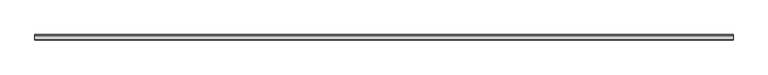
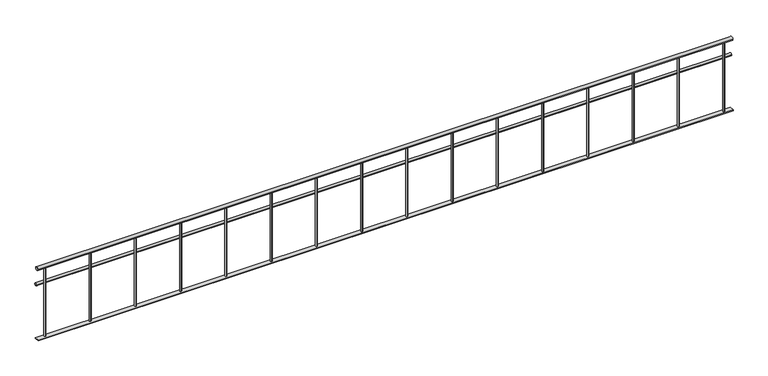
"""IFC4 building model written with IfcOpenShell, lengths in millimetres: railing geometry."""

from ifc_helpers import new_model, si_unit, point, frame, frame_2d, origin, place, context, project, spatial, polyline, circle_curve, trimmed, segment, composite_curve, outline, extrude, source, transform, mapped, element, save


def railing_1f1ef8b8(model_context):
    return source(origin(), model_context, "Body", "SweptSolid", [
        extrude(outline(composite_curve([segment(trimmed(circle_curve(frame_2d((-8556.8920513, 4780.0)), 20.0), [point((-8576.8920513, 4780.0))], [point((-8536.8920513, 4780.0))], False, "CARTESIAN"), True, "CONTINUOUS"), segment(trimmed(circle_curve(frame_2d((-8556.8920513, 4780.0)), 20.0), [point((-8536.8920513, 4780.0))], [point((-8576.8920513, 4780.0))], False, "CARTESIAN"), True, "CONTINUOUS")], self_intersect=False)), frame((-28049.9887159, 0.0, 0.0), z_axis=(1.0, 0.0, 0.0), x_axis=(0.0, 1.0, 0.0)), (0.0, 0.0, 1.0), 7679.6),
        extrude(outline(composite_curve([segment(trimmed(circle_curve(frame_2d((-8536.8920513, 4585.0)), 15.0), [point((-8551.8920513, 4585.0))], [point((-8521.8920513, 4585.0))], False, "CARTESIAN"), True, "CONTINUOUS"), segment(trimmed(circle_curve(frame_2d((-8536.8920513, 4585.0)), 15.0), [point((-8521.8920513, 4585.0))], [point((-8551.8920513, 4585.0))], False, "CARTESIAN"), True, "CONTINUOUS")], self_intersect=False)), frame((-28049.9887159, 0.0, 0.0), z_axis=(1.0, 0.0, 0.0), x_axis=(0.0, 1.0, 0.0)), (0.0, 0.0, 1.0), 7679.6),
        extrude(outline(polyline([(-20370.3887159, -8531.8920513), (-20370.3887159, -8581.8920513), (-28049.9887159, -8581.8920513), (-28049.9887159, -8531.8920513), (-20370.3887159, -8531.8920513)])), frame((0.0, 0.0, 3950.0), z_axis=(0.0, 0.0, 1.0), x_axis=(1.0, 0.0, 0.0)), (0.0, 0.0, 1.0), 10.0),
        extrude(outline(composite_curve([segment(trimmed(circle_curve(frame_2d((-27960.1887159, -8556.8920513)), 10.0), [point((-27960.1887159, -8566.8920513))], [point((-27960.1887159, -8546.8920513))], False, "CARTESIAN"), True, "CONTINUOUS"), segment(trimmed(circle_curve(frame_2d((-27960.1887159, -8556.8920513)), 10.0), [point((-27960.1887159, -8546.8920513))], [point((-27960.1887159, -8566.8920513))], False, "CARTESIAN"), True, "CONTINUOUS")], self_intersect=False)), frame((0.0, 0.0, 3960.0), z_axis=(0.0, 0.0, 1.0), x_axis=(1.0, 0.0, 0.0)), (0.0, 0.0, 1.0), 800.0),
        extrude(outline(composite_curve([segment(trimmed(circle_curve(frame_2d((-27460.1887159, -8556.8920513)), 10.0), [point((-27460.1887159, -8566.8920513))], [point((-27460.1887159, -8546.8920513))], False, "CARTESIAN"), True, "CONTINUOUS"), segment(trimmed(circle_curve(frame_2d((-27460.1887159, -8556.8920513)), 10.0), [point((-27460.1887159, -8546.8920513))], [point((-27460.1887159, -8566.8920513))], False, "CARTESIAN"), True, "CONTINUOUS")], self_intersect=False)), frame((0.0, 0.0, 3960.0), z_axis=(0.0, 0.0, 1.0), x_axis=(1.0, 0.0, 0.0)), (0.0, 0.0, 1.0), 800.0),
        extrude(outline(composite_curve([segment(trimmed(circle_curve(frame_2d((-26960.1887159, -8556.8920513)), 10.0), [point((-26960.1887159, -8566.8920513))], [point((-26960.1887159, -8546.8920513))], False, "CARTESIAN"), True, "CONTINUOUS"), segment(trimmed(circle_curve(frame_2d((-26960.1887159, -8556.8920513)), 10.0), [point((-26960.1887159, -8546.8920513))], [point((-26960.1887159, -8566.8920513))], False, "CARTESIAN"), True, "CONTINUOUS")], self_intersect=False)), frame((0.0, 0.0, 3960.0), z_axis=(0.0, 0.0, 1.0), x_axis=(1.0, 0.0, 0.0)), (0.0, 0.0, 1.0), 800.0),
        extrude(outline(composite_curve([segment(trimmed(circle_curve(frame_2d((-26460.1887159, -8556.8920513)), 10.0), [point((-26460.1887159, -8566.8920513))], [point((-26460.1887159, -8546.8920513))], False, "CARTESIAN"), True, "CONTINUOUS"), segment(trimmed(circle_curve(frame_2d((-26460.1887159, -8556.8920513)), 10.0), [point((-26460.1887159, -8546.8920513))], [point((-26460.1887159, -8566.8920513))], False, "CARTESIAN"), True, "CONTINUOUS")], self_intersect=False)), frame((0.0, 0.0, 3960.0), z_axis=(0.0, 0.0, 1.0), x_axis=(1.0, 0.0, 0.0)), (0.0, 0.0, 1.0), 800.0),
        extrude(outline(composite_curve([segment(trimmed(circle_curve(frame_2d((-25960.1887159, -8556.8920513)), 10.0), [point((-25960.1887159, -8566.8920513))], [point((-25960.1887159, -8546.8920513))], False, "CARTESIAN"), True, "CONTINUOUS"), segment(trimmed(circle_curve(frame_2d((-25960.1887159, -8556.8920513)), 10.0), [point((-25960.1887159, -8546.8920513))], [point((-25960.1887159, -8566.8920513))], False, "CARTESIAN"), True, "CONTINUOUS")], self_intersect=False)), frame((0.0, 0.0, 3960.0), z_axis=(0.0, 0.0, 1.0), x_axis=(1.0, 0.0, 0.0)), (0.0, 0.0, 1.0), 800.0),
        extrude(outline(composite_curve([segment(trimmed(circle_curve(frame_2d((-25460.1887159, -8556.8920513)), 10.0), [point((-25460.1887159, -8566.8920513))], [point((-25460.1887159, -8546.8920513))], False, "CARTESIAN"), True, "CONTINUOUS"), segment(trimmed(circle_curve(frame_2d((-25460.1887159, -8556.8920513)), 10.0), [point((-25460.1887159, -8546.8920513))], [point((-25460.1887159, -8566.8920513))], False, "CARTESIAN"), True, "CONTINUOUS")], self_intersect=False)), frame((0.0, 0.0, 3960.0), z_axis=(0.0, 0.0, 1.0), x_axis=(1.0, 0.0, 0.0)), (0.0, 0.0, 1.0), 800.0),
        extrude(outline(composite_curve([segment(trimmed(circle_curve(frame_2d((-24960.1887159, -8556.8920513)), 10.0), [point((-24960.1887159, -8566.8920513))], [point((-24960.1887159, -8546.8920513))], False, "CARTESIAN"), True, "CONTINUOUS"), segment(trimmed(circle_curve(frame_2d((-24960.1887159, -8556.8920513)), 10.0), [point((-24960.1887159, -8546.8920513))], [point((-24960.1887159, -8566.8920513))], False, "CARTESIAN"), True, "CONTINUOUS")], self_intersect=False)), frame((0.0, 0.0, 3960.0), z_axis=(0.0, 0.0, 1.0), x_axis=(1.0, 0.0, 0.0)), (0.0, 0.0, 1.0), 800.0),
        extrude(outline(composite_curve([segment(trimmed(circle_curve(frame_2d((-24460.1887159, -8556.8920513)), 10.0), [point((-24460.1887159, -8566.8920513))], [point((-24460.1887159, -8546.8920513))], False, "CARTESIAN"), True, "CONTINUOUS"), segment(trimmed(circle_curve(frame_2d((-24460.1887159, -8556.8920513)), 10.0), [point((-24460.1887159, -8546.8920513))], [point((-24460.1887159, -8566.8920513))], False, "CARTESIAN"), True, "CONTINUOUS")], self_intersect=False)), frame((0.0, 0.0, 3960.0), z_axis=(0.0, 0.0, 1.0), x_axis=(1.0, 0.0, 0.0)), (0.0, 0.0, 1.0), 800.0),
        extrude(outline(composite_curve([segment(trimmed(circle_curve(frame_2d((-23960.1887159, -8556.8920513)), 10.0), [point((-23960.1887159, -8566.8920513))], [point((-23960.1887159, -8546.8920513))], False, "CARTESIAN"), True, "CONTINUOUS"), segment(trimmed(circle_curve(frame_2d((-23960.1887159, -8556.8920513)), 10.0), [point((-23960.1887159, -8546.8920513))], [point((-23960.1887159, -8566.8920513))], False, "CARTESIAN"), True, "CONTINUOUS")], self_intersect=False)), frame((0.0, 0.0, 3960.0), z_axis=(0.0, 0.0, 1.0), x_axis=(1.0, 0.0, 0.0)), (0.0, 0.0, 1.0), 800.0),
        extrude(outline(composite_curve([segment(trimmed(circle_curve(frame_2d((-23460.1887159, -8556.8920513)), 10.0), [point((-23460.1887159, -8566.8920513))], [point((-23460.1887159, -8546.8920513))], False, "CARTESIAN"), True, "CONTINUOUS"), segment(trimmed(circle_curve(frame_2d((-23460.1887159, -8556.8920513)), 10.0), [point((-23460.1887159, -8546.8920513))], [point((-23460.1887159, -8566.8920513))], False, "CARTESIAN"), True, "CONTINUOUS")], self_intersect=False)), frame((0.0, 0.0, 3960.0), z_axis=(0.0, 0.0, 1.0), x_axis=(1.0, 0.0, 0.0)), (0.0, 0.0, 1.0), 800.0),
        extrude(outline(composite_curve([segment(trimmed(circle_curve(frame_2d((-22960.1887159, -8556.8920513)), 10.0), [point((-22960.1887159, -8566.8920513))], [point((-22960.1887159, -8546.8920513))], False, "CARTESIAN"), True, "CONTINUOUS"), segment(trimmed(circle_curve(frame_2d((-22960.1887159, -8556.8920513)), 10.0), [point((-22960.1887159, -8546.8920513))], [point((-22960.1887159, -8566.8920513))], False, "CARTESIAN"), True, "CONTINUOUS")], self_intersect=False)), frame((0.0, 0.0, 3960.0), z_axis=(0.0, 0.0, 1.0), x_axis=(1.0, 0.0, 0.0)), (0.0, 0.0, 1.0), 800.0),
        extrude(outline(composite_curve([segment(trimmed(circle_curve(frame_2d((-22460.1887159, -8556.8920513)), 10.0), [point((-22460.1887159, -8566.8920513))], [point((-22460.1887159, -8546.8920513))], False, "CARTESIAN"), True, "CONTINUOUS"), segment(trimmed(circle_curve(frame_2d((-22460.1887159, -8556.8920513)), 10.0), [point((-22460.1887159, -8546.8920513))], [point((-22460.1887159, -8566.8920513))], False, "CARTESIAN"), True, "CONTINUOUS")], self_intersect=False)), frame((0.0, 0.0, 3960.0), z_axis=(0.0, 0.0, 1.0), x_axis=(1.0, 0.0, 0.0)), (0.0, 0.0, 1.0), 800.0),
        extrude(outline(composite_curve([segment(trimmed(circle_curve(frame_2d((-21960.1887159, -8556.8920513)), 10.0), [point((-21960.1887159, -8566.8920513))], [point((-21960.1887159, -8546.8920513))], False, "CARTESIAN"), True, "CONTINUOUS"), segment(trimmed(circle_curve(frame_2d((-21960.1887159, -8556.8920513)), 10.0), [point((-21960.1887159, -8546.8920513))], [point((-21960.1887159, -8566.8920513))], False, "CARTESIAN"), True, "CONTINUOUS")], self_intersect=False)), frame((0.0, 0.0, 3960.0), z_axis=(0.0, 0.0, 1.0), x_axis=(1.0, 0.0, 0.0)), (0.0, 0.0, 1.0), 800.0),
        extrude(outline(composite_curve([segment(trimmed(circle_curve(frame_2d((-21460.1887159, -8556.8920513)), 10.0), [point((-21460.1887159, -8566.8920513))], [point((-21460.1887159, -8546.8920513))], False, "CARTESIAN"), True, "CONTINUOUS"), segment(trimmed(circle_curve(frame_2d((-21460.1887159, -8556.8920513)), 10.0), [point((-21460.1887159, -8546.8920513))], [point((-21460.1887159, -8566.8920513))], False, "CARTESIAN"), True, "CONTINUOUS")], self_intersect=False)), frame((0.0, 0.0, 3960.0), z_axis=(0.0, 0.0, 1.0), x_axis=(1.0, 0.0, 0.0)), (0.0, 0.0, 1.0), 800.0),
        extrude(outline(composite_curve([segment(trimmed(circle_curve(frame_2d((-20960.1887159, -8556.8920513)), 10.0), [point((-20960.1887159, -8566.8920513))], [point((-20960.1887159, -8546.8920513))], False, "CARTESIAN"), True, "CONTINUOUS"), segment(trimmed(circle_curve(frame_2d((-20960.1887159, -8556.8920513)), 10.0), [point((-20960.1887159, -8546.8920513))], [point((-20960.1887159, -8566.8920513))], False, "CARTESIAN"), True, "CONTINUOUS")], self_intersect=False)), frame((0.0, 0.0, 3960.0), z_axis=(0.0, 0.0, 1.0), x_axis=(1.0, 0.0, 0.0)), (0.0, 0.0, 1.0), 800.0),
        extrude(outline(composite_curve([segment(trimmed(circle_curve(frame_2d((-20460.1887159, -8556.8920513)), 10.0), [point((-20460.1887159, -8566.8920513))], [point((-20460.1887159, -8546.8920513))], False, "CARTESIAN"), True, "CONTINUOUS"), segment(trimmed(circle_curve(frame_2d((-20460.1887159, -8556.8920513)), 10.0), [point((-20460.1887159, -8546.8920513))], [point((-20460.1887159, -8566.8920513))], False, "CARTESIAN"), True, "CONTINUOUS")], self_intersect=False)), frame((0.0, 0.0, 3960.0), z_axis=(0.0, 0.0, 1.0), x_axis=(1.0, 0.0, 0.0)), (0.0, 0.0, 1.0), 800.0),
    ])


if __name__ == "__main__":
    model = new_model("IFC4")
    model_context = context("Model", 3, world=origin())
    ifc_project = project(units=[si_unit("LENGTHUNIT", "METRE", prefix="MILLI")], contexts=[model_context])
    site = spatial("IfcSite", under=ifc_project)
    building = spatial("IfcBuilding", under=site)
    placement = place(None, origin())
    railing_shape = railing_1f1ef8b8(model_context)
    element("IfcRailing", 1, at=placement, inside=building, context=model_context, shape_type="MappedRepresentation", body=[
        mapped(railing_shape, transform((0.0, 0.0, 0.0), x_axis=(1.0, 0.0, 0.0), y_axis=(0.0, 1.0, 0.0), z_axis=(0.0, 0.0, 1.0))),
    ])
    save(model, "model.ifc")
